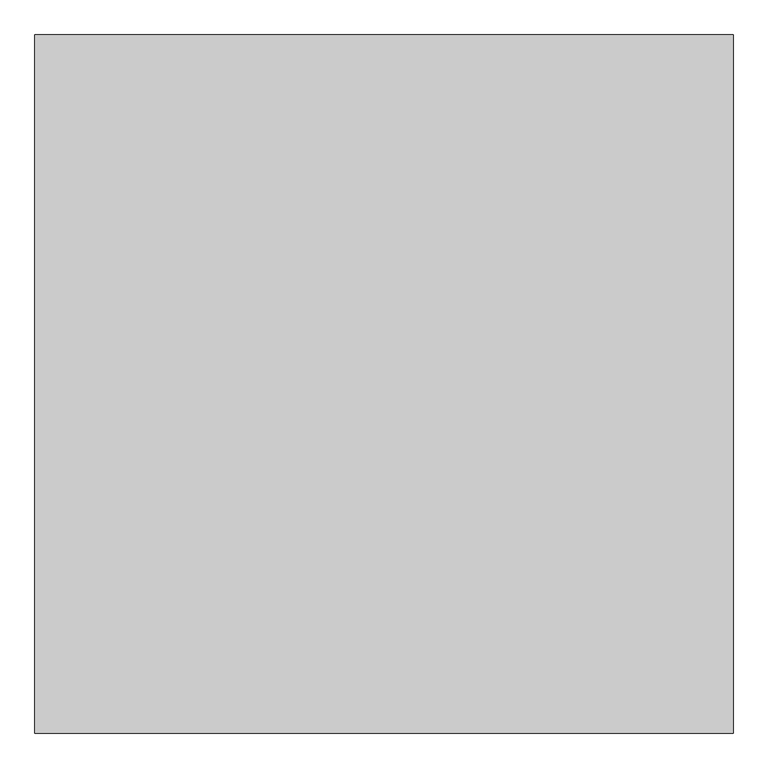
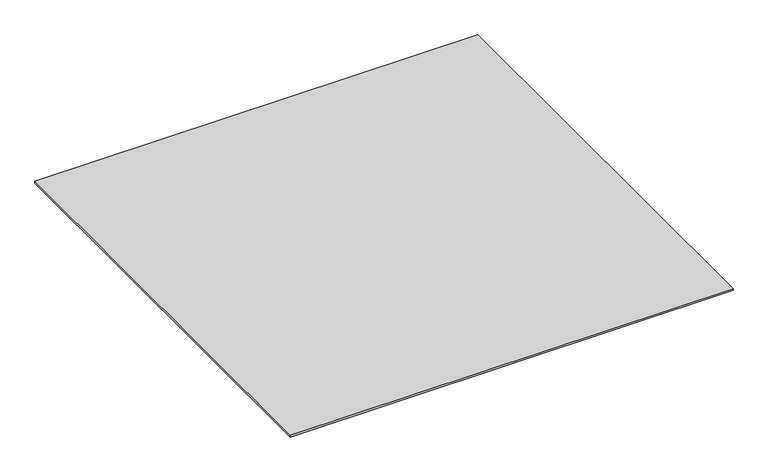
"""IFC4 building model written with IfcOpenShell, lengths in millimetres: proxy geometry."""

from ifc_helpers import new_model, si_unit, origin, origin_with_axes, place, context, project, spatial, polyline, outline, extrude, source, transform, mapped, element, save


def generic_models_9427a459(model_context):
    return source(origin(), model_context, "Body", "SweptSolid", [
        extrude(outline(polyline([(-5796.9237868, -26587.355679), (-5796.9237868, -27587.355679), (-6796.9237868, -27587.355679), (-6796.9237868, -26587.355679), (-5796.9237868, -26587.355679)])), origin_with_axes(), (0.0, 0.0, 1.0), 4.0),
    ])


if __name__ == "__main__":
    model = new_model("IFC4")
    model_context = context("Model", 3, world=origin())
    ifc_project = project(units=[si_unit("LENGTHUNIT", "METRE", prefix="MILLI")], contexts=[model_context])
    site = spatial("IfcSite", under=ifc_project)
    building = spatial("IfcBuilding", under=site)
    placement = place(None, origin())
    generic_models_shape = generic_models_9427a459(model_context)
    element("IfcBuildingElementProxy", 1, Name="Generic Models", at=placement, inside=building, context=model_context, shape_type="MappedRepresentation", body=[
        mapped(generic_models_shape, transform((0.0, 0.0, 0.0), x_axis=(1.0, 0.0, 0.0), y_axis=(0.0, 1.0, 0.0), z_axis=(0.0, 0.0, 1.0))),
    ])
    save(model, "model.ifc")
